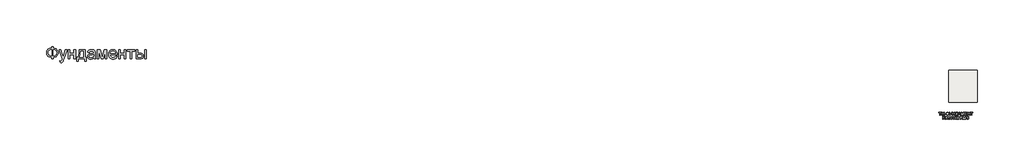
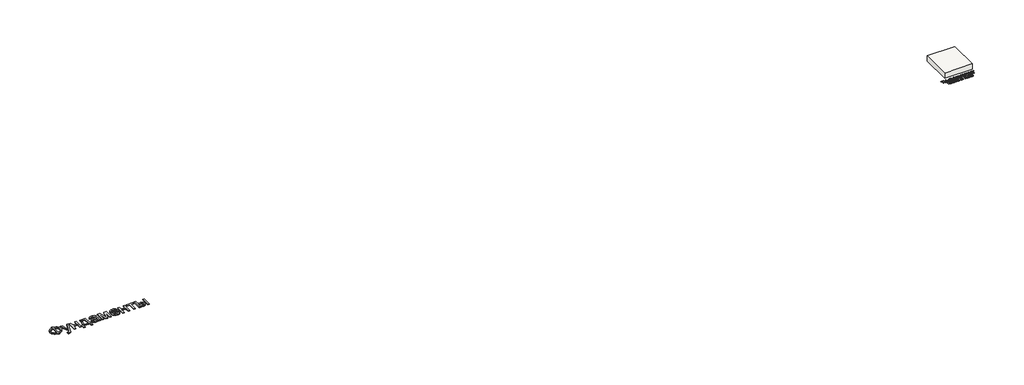
# One storey: 2 proxies, 1 slab.
"""IFC4 building model written with IfcOpenShell, lengths in millimetres."""

from ifc_helpers import new_model, si_unit, frame, origin, origin_with_axes, place, context, project, spatial, polyline, outline, extrude, element, save

model = new_model("IFC4")

# Units and contexts
model_context = context("Model", 3, world=origin())
ifc_project = project(units=[si_unit("LENGTHUNIT", "METRE", prefix="MILLI")], contexts=[model_context])

# Site, building, storey
site = spatial("IfcSite", under=ifc_project)
building = spatial("IfcBuilding", under=site)
storey = spatial("IfcBuildingStorey", under=building, Elevation=0.0)

# Proxies
placement = place(None, origin())
element("IfcBuildingElementProxy", 1, Name="Generic Models", at=placement, inside=storey, context=model_context, shape_type="SweptSolid", body=[
    extrude(outline(polyline([(-1939.8736325, -26885.7211043), (-1939.8736325, -26787.7817103), (-1841.9342386, -26787.7817103), (-1841.9342386, -26885.7211043), (-1772.0723186, -26894.3529698), (-1709.9695132, -26912.2144755), (-1655.6258224, -26939.3056213), (-1609.0412461, -26975.6264073), (-1571.6743546, -27019.0607113), (-1544.9837177, -27067.4924111), (-1528.9693356, -27120.9215067), (-1523.6312083, -27179.3479982), (-1528.8019587, -27236.6028514), (-1544.3142102, -27289.3863505), (-1570.1679625, -27337.6984954), (-1606.3632158, -27381.5392861), (-1628.1416397, -27401.1761824), (-1652.1109076, -27418.4817577), (-1706.6219753, -27446.0989452), (-1769.896419, -27464.3908486), (-1841.9342386, -27473.3574679), (-1841.9342386, -27571.2968619), (-1939.8736325, -27571.2968619), (-1939.8736325, -27473.3574679), (-2005.3060425, -27466.0586398), (-2065.0237272, -27449.518216), (-2119.0266865, -27423.7361966), (-2167.3149204, -27388.7125816), (-2207.0669327, -27345.8939854), (-2222.6837947, -27322.10405), (-2235.4612272, -27296.7270228), (-2245.3992303, -27269.7629041), (-2252.4978039, -27241.2116938), (-2258.1766628, -27179.3479982), (-2252.5157371, -27117.2033486), (-2245.4395801, -27088.5878775), (-2235.5329602, -27061.6103088), (-2222.7958774, -27036.2706426), (-2207.2283318, -27012.5688789), (-2188.8303234, -26990.5050176), (-2167.6018522, -26970.0790588), (-2119.4032845, -26935.3961753), (-2065.382392, -26909.775555), (-2005.5391746, -26893.217198), (-1939.8736325, -26885.7211043)]), holes=[polyline([(-1841.9342386, -26983.6604982), (-1841.9342386, -27375.418074), (-1793.3949393, -27370.2234125), (-1750.3073446, -27359.2303372), (-1712.6714545, -27342.4388481), (-1680.4872689, -27319.8489452), (-1654.7112272, -27291.9627591), (-1636.2997689, -27259.2824206), (-1625.2528939, -27221.8079296), (-1621.5706022, -27179.5392861), (-1625.1871387, -27137.922217), (-1636.036748, -27100.872146), (-1654.1194303, -27068.389073), (-1679.4351855, -27040.4729982), (-1711.2905951, -27017.6977852), (-1748.9922405, -27000.6372975), (-1792.5401216, -26989.2915352), (-1841.9342386, -26983.6604982)]), polyline([(-1939.8736325, -26983.6604982), (-1986.781007, -26988.5861611), (-2028.989873, -26999.3461043), (-2066.5002305, -27015.9403278), (-2099.3120795, -27038.3688316), (-2125.9668498, -27066.2012179), (-2145.0059715, -27099.0070891), (-2156.4294445, -27136.7864452), (-2160.2372689, -27179.5392861), (-2156.4772665, -27221.9035735), (-2145.1972594, -27259.4737085), (-2126.3972476, -27292.2496909), (-2100.077231, -27320.231521), (-2067.5044919, -27342.8692459), (-2029.9463124, -27359.612913), (-1987.4026926, -27370.4625224), (-1939.8736325, -27375.418074), (-1939.8736325, -26983.6604982)])]), origin_with_axes(), (0.0, 0.0, 1.0), 40.0),
    extrude(outline(polyline([(-1401.2069658, -27791.6604982), (-1413.4493901, -27697.355574), (-1386.764731, -27703.8115399), (-1363.7145416, -27705.9635285), (-1337.5559242, -27703.2615872), (-1317.2315871, -27695.1557634), (-1301.4025151, -27682.2199206), (-1288.7296931, -27665.0279225), (-1261.9493901, -27592.9123922), (-1254.2978749, -27569.1926952), (-1462.4190871, -26995.9029225), (-1359.1236325, -26995.9029225), (-1248.7505264, -27315.35368), (-1210.3016628, -27443.1339831), (-1171.8527992, -27330.2741346), (-1058.4190871, -26995.9029225), (-955.888784, -26995.9029225), (-1156.1671931, -27585.0695891), (-1185.9124583, -27663.4019755), (-1208.1974961, -27712.8498922), (-1234.8343333, -27753.6420323), (-1265.0099961, -27781.9048164), (-1300.0634999, -27798.403396), (-1341.3338598, -27803.9029225), (-1369.6922878, -27800.8423164), (-1401.2069658, -27791.6604982)])), origin_with_axes(), (0.0, 0.0, 1.0), 40.0),
    extrude(outline(polyline([(-874.7827234, -26995.9029225), (-776.8433295, -26995.9029225), (-776.8433295, -27216.2665588), (-519.7524204, -27216.2665588), (-519.7524204, -26995.9029225), (-421.8130264, -26995.9029225), (-421.8130264, -27571.2968619), (-519.7524204, -27571.2968619), (-519.7524204, -27314.2059528), (-776.8433295, -27314.2059528), (-776.8433295, -27571.2968619), (-874.7827234, -27571.2968619), (-874.7827234, -26995.9029225)])), origin_with_axes(), (0.0, 0.0, 1.0), 40.0),
    extrude(outline(polyline([(-189.2069658, -26995.9029225), (178.0657614, -26995.9029225), (178.0657614, -27473.3574679), (251.5203069, -27473.3574679), (251.5203069, -27730.448377), (153.5809129, -27730.448377), (153.5809129, -27571.2968619), (-250.4190871, -27571.2968619), (-250.4190871, -27730.448377), (-348.358481, -27730.448377), (-348.358481, -27473.3574679), (-287.1463598, -27473.3574679), (-263.2293972, -27436.3970631), (-242.648017, -27392.9448259), (-225.4022192, -27343.0007563), (-211.4920037, -27286.5648543), (-200.9173707, -27223.6371199), (-193.67832, -27154.2175531), (-189.7748517, -27078.306154), (-189.2069658, -26995.9029225)]), holes=[polyline([(-103.5099961, -27093.8423164), (-111.5440871, -27213.7559054), (-126.4645416, -27316.979627), (-148.2713598, -27403.5134812), (-161.7571552, -27440.521708), (-176.9645416, -27473.3574679), (80.1263675, -27473.3574679), (80.1263675, -27093.8423164), (-103.5099961, -27093.8423164)])]), origin_with_axes(), (0.0, 0.0, 1.0), 40.0),
    extrude(outline(polyline([(728.9748523, -27497.8423164), (682.181055, -27537.964949), (658.2640924, -27552.8256261), (634.0004205, -27564.2192103), (583.3330436, -27578.7092672), (529.079019, -27583.5392861), (485.4713604, -27580.6341014), (447.2317179, -27571.9185475), (414.3600914, -27557.3926242), (386.8564811, -27537.0563316), (365.1393291, -27512.2008628), (349.6270777, -27484.1174111), (340.3197269, -27452.8059764), (337.2172766, -27418.2665588), (341.9038296, -27377.6657066), (355.9634887, -27340.7949679), (377.650752, -27309.2324679), (405.2201175, -27284.5563316), (437.619502, -27265.9057634), (473.796822, -27252.4199679), (558.5373523, -27237.6908013), (658.6765569, -27222.1964831), (728.4009887, -27204.0241346), (728.9748523, -27182.2173164), (727.2891279, -27158.4737085), (722.2319546, -27138.5080361), (713.8033325, -27122.3202994), (702.0032614, -27109.9104982), (681.6071914, -27097.5246081), (656.7636781, -27088.6775437), (627.4727217, -27083.369305), (593.734322, -27081.5998922), (535.391519, -27086.3103562), (512.8195493, -27092.1984362), (494.6472008, -27100.4417482), (479.7147908, -27111.6858888), (466.8626364, -27126.5764547), (456.0907378, -27145.1134457), (447.3990948, -27167.2968619), (349.4597008, -27155.0544376), (366.4604111, -27101.4938316), (378.0990829, -27079.0175058), (391.829966, -27059.4104982), (408.2448571, -27042.2782776), (427.9355531, -27027.2263126), (450.902054, -27014.2546033), (477.1443599, -27003.3631497), (537.3283088, -26988.5861611), (606.359322, -26983.6604982), (672.5688391, -26988.0122975), (725.0534508, -27001.0676952), (764.6261307, -27020.6986138), (792.0998523, -27044.7769755), (810.3200228, -27074.5461516), (822.1320493, -27111.2495134), (825.718697, -27145.1074679), (826.9142463, -27196.9464831), (826.9142463, -27318.7968619), (828.1576175, -27424.9377236), (831.8877311, -27488.94743), (839.2523145, -27531.0068524), (851.3990948, -27571.2968619), (753.4597008, -27571.2968619), (737.7740948, -27537.2476194), (728.9748523, -27497.8423164)]), holes=[polyline([(728.9748523, -27301.9635285), (663.171822, -27318.2708202), (570.9710645, -27331.9957255), (520.1602217, -27339.5037747), (486.7087539, -27347.8726194), (464.7823807, -27358.7282066), (448.546822, -27373.6964831), (438.5042084, -27391.6297217), (435.1566705, -27411.3801952), (436.9798831, -27426.599537), (442.4495209, -27440.5037747), (451.5655839, -27453.0929083), (464.328072, -27464.3669376), (480.6174305, -27473.6563552), (500.3141042, -27480.2916535), (549.9293978, -27485.5998922), (602.5335645, -27479.7417009), (626.5401932, -27472.4189618), (649.016519, -27462.167127), (686.7002311, -27436.2715304), (712.9066705, -27405.450271), (724.5274092, -27373.6964831), (728.4009887, -27329.700271), (728.9748523, -27301.9635285)])]), origin_with_axes(), (0.0, 0.0, 1.0), 40.0),
    extrude(outline(polyline([(961.5809129, -26995.9029225), (1130.1055342, -26995.9029225), (1259.9900039, -27456.5241346), (1400.0127311, -26995.9029225), (1561.4597008, -26995.9029225), (1561.4597008, -27571.2968619), (1463.5203069, -27571.2968619), (1463.5203069, -27107.9976194), (1322.7324281, -27571.2968619), (1194.1869736, -27571.2968619), (1059.5203069, -27085.8082255), (1059.5203069, -27571.2968619), (961.5809129, -27571.2968619), (961.5809129, -26995.9029225)])), origin_with_axes(), (0.0, 0.0, 1.0), 40.0),
    extrude(outline(polyline([(2111.2210645, -27399.9029225), (2207.2475796, -27412.1453467), (2192.5243907, -27450.6061658), (2172.6483845, -27484.4999869), (2147.6195611, -27513.8268098), (2117.4379205, -27538.5866346), (2082.4143055, -27558.2534196), (2042.8595588, -27572.3011232), (1998.7736805, -27580.7297454), (1950.1566705, -27583.5392861), (1889.3869025, -27578.6913339), (1835.2404773, -27564.1474774), (1787.717395, -27539.9077165), (1746.8176554, -27505.9720513), (1713.9280957, -27463.2849656), (1690.4355531, -27412.7909433), (1676.3400275, -27354.4899845), (1671.641519, -27288.3820891), (1676.3878495, -27220.0325389), (1690.626841, -27159.7888126), (1714.3584934, -27107.6509102), (1747.5828069, -27063.6188316), (1788.374947, -27028.6370607), (1834.8100796, -27003.6500816), (1886.8882046, -26988.6578941), (1944.609322, -26983.6604982), (2000.4713604, -26988.6459386), (2050.9892936, -27003.6022596), (2096.1631218, -27028.5294613), (2135.9928448, -27063.4275437), (2168.5058064, -27107.3639783), (2191.7293504, -27159.4062369), (2205.6634769, -27219.5543192), (2210.3081857, -27287.8082255), (2209.734322, -27314.2059528), (1769.5809129, -27314.2059528), (1775.2537941, -27353.2884575), (1786.5338012, -27387.5170323), (1803.4209343, -27416.8916772), (1825.9151932, -27441.4123922), (1852.773207, -27460.7444234), (1882.7516042, -27474.5530172), (1915.850385, -27482.8381734), (1952.0695493, -27485.5998922), (2004.1954963, -27480.4829414), (2048.0960645, -27465.1320891), (2066.9618315, -27453.3798401), (2083.7712539, -27438.590896), (2098.5243315, -27420.7652567), (2111.2210645, -27399.9029225)]), holes=[polyline([(1769.5809129, -27216.2665588), (2112.3687917, -27216.2665588), (2107.3355294, -27188.5537274), (2099.1221061, -27164.5231876), (2087.7285218, -27144.1749395), (2073.1547766, -27127.5089831), (2046.4462065, -27107.4237558), (2016.0553448, -27093.0771649), (1981.9821914, -27084.4692103), (1944.2267463, -27081.5998922), (1909.7889504, -27083.889369), (1878.2085171, -27090.7577994), (1849.4854466, -27102.2051834), (1823.6197387, -27118.231521), (1801.9145422, -27138.0955716), (1785.6730057, -27161.0560948), (1774.8951293, -27187.1130906), (1769.5809129, -27216.2665588)])]), origin_with_axes(), (0.0, 0.0, 1.0), 40.0),
    extrude(outline(polyline([(2308.2475796, -26995.9029225), (2406.1869736, -26995.9029225), (2406.1869736, -27216.2665588), (2663.2778826, -27216.2665588), (2663.2778826, -26995.9029225), (2761.2172766, -26995.9029225), (2761.2172766, -27571.2968619), (2663.2778826, -27571.2968619), (2663.2778826, -27314.2059528), (2406.1869736, -27314.2059528), (2406.1869736, -27571.2968619), (2308.2475796, -27571.2968619), (2308.2475796, -26995.9029225)])), origin_with_axes(), (0.0, 0.0, 1.0), 40.0),
    extrude(outline(polyline([(2859.1566705, -26995.9029225), (3324.3687917, -26995.9029225), (3324.3687917, -27093.8423164), (3140.7324281, -27093.8423164), (3140.7324281, -27571.2968619), (3042.7930342, -27571.2968619), (3042.7930342, -27093.8423164), (2859.1566705, -27093.8423164), (2859.1566705, -26995.9029225)])), origin_with_axes(), (0.0, 0.0, 1.0), 40.0),
    extrude(outline(polyline([(3948.7324281, -26995.9029225), (4046.671822, -26995.9029225), (4046.671822, -27571.2968619), (3948.7324281, -27571.2968619), (3948.7324281, -26995.9029225)])), origin_with_axes(), (0.0, 0.0, 1.0), 40.0),
    extrude(outline(polyline([(3410.0657614, -26995.9029225), (3508.0051554, -26995.9029225), (3508.0051554, -27204.0241346), (3629.0903826, -27204.0241346), (3684.8089551, -27207.0907184), (3733.7487633, -27216.2904698), (3775.9098074, -27231.6233888), (3811.2920872, -27253.0894755), (3839.2858727, -27279.9474892), (3859.2814338, -27311.4561895), (3871.2787704, -27347.6155763), (3875.2778826, -27388.4256497), (3871.924367, -27424.8361019), (3861.8638201, -27458.5087463), (3845.096242, -27489.443583), (3821.6216326, -27517.6406119), (3790.7824399, -27541.1152212), (3751.9211118, -27557.8827994), (3705.0376483, -27567.9433462), (3650.1320493, -27571.2968619), (3410.0657614, -27571.2968619), (3410.0657614, -26995.9029225)]), holes=[polyline([(3508.0051554, -27473.3574679), (3608.6225796, -27473.3574679), (3686.6202122, -27468.2166062), (3715.8274802, -27461.790529), (3738.5070493, -27452.794021), (3755.495804, -27441.0716606), (3767.6306289, -27426.4680266), (3774.9115237, -27408.983119), (3777.3384887, -27388.6169376), (3775.5391871, -27372.1542245), (3770.1412823, -27356.6240399), (3761.1447742, -27342.0263836), (3748.5496629, -27328.3612558), (3729.8094286, -27316.8122501), (3702.3775512, -27308.5629603), (3666.2540308, -27303.6133865), (3621.4388675, -27301.9635285), (3508.0051554, -27301.9635285), (3508.0051554, -27473.3574679)])]), origin_with_axes(), (0.0, 0.0, 1.0), 40.0),
])
element("IfcBuildingElementProxy", 2, Name="Generic Models", at=placement, inside=storey, context=model_context, shape_type="SweptSolid", body=[
    extrude(outline(polyline([(54324.14706, -31143.5539916), (54324.14706, -30971.2462993), (54259.5316754, -30971.2462993), (54259.5316754, -30946.6309147), (54413.3778293, -30946.6309147), (54413.3778293, -30971.2462993), (54348.7624446, -30971.2462993), (54348.7624446, -31143.5539916), (54324.14706, -31143.5539916)])), origin_with_axes(), (0.0, 0.0, 1.0), 20.0),
    extrude(outline(polyline([(54441.070137, -31143.5539916), (54441.070137, -30946.6309147), (54465.6855216, -30946.6309147), (54465.6855216, -31026.6309147), (54570.3009062, -31026.6309147), (54570.3009062, -30946.6309147), (54594.9162908, -30946.6309147), (54594.9162908, -31143.5539916), (54570.3009062, -31143.5539916), (54570.3009062, -31051.2462993), (54465.6855216, -31051.2462993), (54465.6855216, -31143.5539916), (54441.070137, -31143.5539916)])), origin_with_axes(), (0.0, 0.0, 1.0), 20.0),
    extrude(outline(polyline([(54622.6085985, -31085.0924532), (54622.6085985, -31060.4770686), (54699.5316754, -31060.4770686), (54699.5316754, -31085.0924532), (54622.6085985, -31085.0924532)])), origin_with_axes(), (0.0, 0.0, 1.0), 20.0),
    extrude(outline(polyline([(54801.070137, -30971.2462993), (54801.070137, -30946.6309147), (54825.6855216, -30946.6309147), (54825.6855216, -30971.2462993), (54858.8525889, -30977.9049532), (54884.2191754, -30993.8424532), (54900.318935, -31016.9313955), (54905.6855216, -31045.0443763), (54900.4872043, -31072.7006263), (54884.8922523, -31095.8616839), (54859.693935, -31112.0876455), (54825.6855216, -31118.938607), (54825.6855216, -31143.5539916), (54801.070137, -31143.5539916), (54801.070137, -31118.938607), (54769.61581, -31112.9470205), (54743.9066754, -31097.6645686), (54733.9156898, -31086.9028498), (54726.7792716, -31074.5455782), (54721.070137, -31045.0443763), (54726.7612427, -31015.4530301), (54733.8751249, -31003.1273089), (54743.83456, -30992.4482224), (54769.5256658, -30977.2919724), (54801.070137, -30971.2462993)]), holes=[polyline([(54801.070137, -30995.8616839), (54778.6723004, -30999.8039916), (54760.9980216, -31009.6116839), (54749.5136466, -31024.8520686), (54745.6855216, -31045.0924532), (54749.4655696, -31065.1825974), (54760.8057139, -31080.4530301), (54778.4319158, -31090.3508666), (54801.070137, -31094.3232224), (54801.070137, -30995.8616839)]), polyline([(54825.6855216, -30995.8616839), (54825.6855216, -31094.3232224), (54848.7143677, -31090.2547128), (54866.2624446, -31080.3568763), (54877.3682139, -31065.1345205), (54881.070137, -31045.0924532), (54877.4343196, -31025.3208186), (54866.5268677, -31010.1405301), (54849.0448966, -31000.1285109), (54825.6855216, -30995.8616839)])]), origin_with_axes(), (0.0, 0.0, 1.0), 20.0),
    extrude(outline(polyline([(54925.6855216, -30946.6309147), (54952.945137, -30946.6309147), (55011.8393677, -31063.2655301), (55064.820137, -30946.6309147), (55091.8393677, -30946.6309147), (55017.0797523, -31100.0443763), (54996.7432139, -31137.7366839), (54987.0917716, -31144.407357), (54974.0028293, -31146.6309147), (54951.8393677, -31143.5539916), (54951.8393677, -31122.0155301), (54971.2143677, -31122.0155301), (54985.5893677, -31116.5347609), (54998.9066754, -31091.5828378), (54925.6855216, -30946.6309147)])), origin_with_axes(), (0.0, 0.0, 1.0), 20.0),
    extrude(outline(polyline([(55114.9162908, -31143.5539916), (55114.9162908, -30946.6309147), (55139.5316754, -30946.6309147), (55139.5316754, -31026.6309147), (55244.14706, -31026.6309147), (55244.14706, -30946.6309147), (55268.7624446, -30946.6309147), (55268.7624446, -31143.5539916), (55244.14706, -31143.5539916), (55244.14706, -31051.2462993), (55139.5316754, -31051.2462993), (55139.5316754, -31143.5539916), (55114.9162908, -31143.5539916)])), origin_with_axes(), (0.0, 0.0, 1.0), 20.0),
    extrude(outline(polyline([(55330.3009062, -30946.6309147), (55447.2239831, -30946.6309147), (55447.2239831, -31118.938607), (55465.6855216, -31118.938607), (55465.6855216, -31189.7078378), (55441.070137, -31189.7078378), (55441.070137, -31143.5539916), (55314.9162908, -31143.5539916), (55314.9162908, -31189.7078378), (55290.3009062, -31189.7078378), (55290.3009062, -31118.938607), (55305.6855216, -31118.938607), (55316.4547523, -31096.6098811), (55324.14706, -31065.2006263), (55328.7624446, -31024.7108426), (55330.3009062, -30975.1405301), (55330.3009062, -30946.6309147)]), holes=[polyline([(55422.6085985, -30971.2462993), (55354.9162908, -30971.2462993), (55354.9162908, -30981.1501455), (55349.9162908, -31048.6020686), (55342.5124446, -31087.5804339), (55330.3009062, -31118.938607), (55422.6085985, -31118.938607), (55422.6085985, -30971.2462993)])]), origin_with_axes(), (0.0, 0.0, 1.0), 20.0),
    extrude(outline(polyline([(55473.52206, -31143.5539916), (55552.1278293, -30946.6309147), (55573.0893677, -30946.6309147), (55651.695137, -31143.5539916), (55625.6855216, -31143.5539916), (55603.1374446, -31082.0155301), (55522.0316754, -31082.0155301), (55499.5316754, -31143.5539916), (55473.52206, -31143.5539916)]), holes=[polyline([(55531.070137, -31057.4001455), (55594.14706, -31057.4001455), (55576.4066754, -31008.9866839), (55562.6085985, -30971.2462993), (55550.3489831, -31004.7559147), (55531.070137, -31057.4001455)])]), origin_with_axes(), (0.0, 0.0, 1.0), 20.0),
    extrude(outline(polyline([(55677.9932139, -31143.5539916), (55677.9932139, -30946.6309147), (55720.3489831, -30946.6309147), (55760.6374446, -31085.4289916), (55768.7624446, -31114.4193763), (55777.5605216, -31083.0251455), (55817.1759062, -30946.6309147), (55859.5316754, -30946.6309147), (55859.5316754, -31143.5539916), (55834.9162908, -31143.5539916), (55834.9162908, -30971.2462993), (55785.445137, -31143.5539916), (55752.0797523, -31143.5539916), (55702.6085985, -30971.2462993), (55702.6085985, -31143.5539916), (55677.9932139, -31143.5539916)])), origin_with_axes(), (0.0, 0.0, 1.0), 20.0),
    extrude(outline(polyline([(55902.6085985, -31143.5539916), (55902.6085985, -30946.6309147), (56044.14706, -30946.6309147), (56044.14706, -30971.2462993), (55927.2239831, -30971.2462993), (55927.2239831, -31029.7078378), (56037.9932139, -31029.7078378), (56037.9932139, -31054.3232224), (55927.2239831, -31054.3232224), (55927.2239831, -31118.938607), (56047.2239831, -31118.938607), (56047.2239831, -31143.5539916), (55902.6085985, -31143.5539916)])), origin_with_axes(), (0.0, 0.0, 1.0), 20.0),
    extrude(outline(polyline([(56084.14706, -31143.5539916), (56084.14706, -30946.6309147), (56108.7624446, -30946.6309147), (56108.7624446, -31026.6309147), (56213.3778293, -31026.6309147), (56213.3778293, -30946.6309147), (56237.9932139, -30946.6309147), (56237.9932139, -31143.5539916), (56213.3778293, -31143.5539916), (56213.3778293, -31051.2462993), (56108.7624446, -31051.2462993), (56108.7624446, -31143.5539916), (56084.14706, -31143.5539916)])), origin_with_axes(), (0.0, 0.0, 1.0), 20.0),
    extrude(outline(polyline([(56330.3009062, -31143.5539916), (56330.3009062, -30971.2462993), (56265.6855216, -30971.2462993), (56265.6855216, -30946.6309147), (56419.5316754, -30946.6309147), (56419.5316754, -30971.2462993), (56354.9162908, -30971.2462993), (56354.9162908, -31143.5539916), (56330.3009062, -31143.5539916)])), origin_with_axes(), (0.0, 0.0, 1.0), 20.0),
    extrude(outline(polyline([(54521.070137, -31189.7078378), (54545.6855216, -31189.7078378), (54545.6855216, -31275.8616839), (54562.350185, -31274.2330782), (54573.20956, -31269.3472609), (54581.9896081, -31257.8508666), (54592.4162908, -31236.3905301), (54605.9980216, -31208.8664916), (54621.382637, -31195.2366839), (54643.3778293, -31189.7078378), (54659.5316754, -31189.9962993), (54659.5316754, -31214.6116839), (54654.0989831, -31214.4674532), (54648.6662908, -31214.3232224), (54637.3922523, -31215.8015878), (54629.4355216, -31220.2366839), (54614.820137, -31245.5732224), (54597.3922523, -31276.438607), (54580.39706, -31286.6309147), (54599.3994639, -31297.7607224), (54618.1374446, -31320.9578378), (54659.5316754, -31386.6309147), (54630.9739831, -31386.6309147), (54595.9739831, -31331.1501455), (54571.33456, -31302.1837993), (54559.9583581, -31296.2883666), (54545.6855216, -31294.3232224), (54545.6855216, -31386.6309147), (54521.070137, -31386.6309147), (54521.070137, -31189.7078378)])), origin_with_axes(), (0.0, 0.0, 1.0), 20.0),
    extrude(outline(polyline([(54690.3009062, -31242.0155301), (54801.070137, -31242.0155301), (54801.070137, -31386.4866839), (54776.4547523, -31386.4866839), (54776.4547523, -31266.6309147), (54714.9162908, -31266.6309147), (54714.9162908, -31335.6212993), (54713.257637, -31367.4482224), (54704.14706, -31380.8857224), (54695.0364831, -31385.1946166), (54682.6085985, -31386.6309147), (54662.6085985, -31385.3809147), (54662.6085985, -31362.0155301), (54673.6182139, -31362.0155301), (54684.7480216, -31360.501107), (54689.195137, -31355.6934147), (54690.3009062, -31334.2270686), (54690.3009062, -31242.0155301)])), origin_with_axes(), (0.0, 0.0, 1.0), 20.0),
    extrude(outline(polyline([(54930.3009062, -31368.1693763), (54906.4307139, -31384.8520686), (54880.0605216, -31389.7078378), (54859.4896081, -31386.7871647), (54844.3153293, -31378.0251455), (54834.9583581, -31364.719857), (54831.8393677, -31348.1693763), (54836.5509062, -31328.6982224), (54848.9307139, -31314.563607), (54866.1662908, -31306.4866839), (54887.4643677, -31302.7847609), (54930.1566754, -31294.3232224), (54930.3009062, -31288.8424532), (54928.6061946, -31277.8568763), (54923.52206, -31270.6693763), (54912.1518677, -31265.3328378), (54896.3105216, -31263.5539916), (54871.4066754, -31268.2895686), (54864.4235023, -31274.8580782), (54859.5316754, -31285.0924532), (54834.9162908, -31282.0155301), (54845.5653293, -31257.9770686), (54854.6398485, -31249.8881263), (54867.007637, -31243.8905301), (54899.4835985, -31238.938607), (54929.3153293, -31243.313607), (54946.1662908, -31254.2991839), (54953.7143677, -31271.0059147), (54954.9162908, -31292.5443763), (54954.9162908, -31323.1693763), (54956.1662908, -31365.9337993), (54961.070137, -31386.6309147), (54936.4547523, -31386.6309147), (54930.3009062, -31368.1693763)]), holes=[polyline([(54930.3009062, -31318.938607), (54890.5893677, -31326.4866839), (54869.4114831, -31330.4770686), (54859.820137, -31336.9674532), (54856.4547523, -31346.438607), (54858.287685, -31353.7583186), (54863.7864831, -31359.7559147), (54872.8309543, -31363.7583186), (54885.3009062, -31365.0924532), (54898.52206, -31363.6200974), (54910.2047523, -31359.2030301), (54926.2624446, -31344.9482224), (54930.1566754, -31325.9097609), (54930.3009062, -31318.938607)])]), origin_with_axes(), (0.0, 0.0, 1.0), 20.0),
    extrude(outline(polyline([(55081.070137, -31334.3232224), (55105.6855216, -31337.4001455), (55098.8225408, -31359.2931743), (55085.9259062, -31375.8376455), (55068.20956, -31386.2402897), (55046.8874446, -31389.7078378), (55020.7035504, -31384.8700974), (55000.2287908, -31370.3568763), (54987.0136466, -31346.8051936), (54982.6085985, -31314.8520686), (54984.4896081, -31292.9470205), (54990.132637, -31273.9626455), (54999.6278293, -31258.6321166), (55013.0653293, -31247.688607), (55029.1410504, -31241.126107), (55046.5509062, -31238.938607), (55067.350185, -31241.9434147), (55083.9787908, -31250.9578378), (55095.9078773, -31265.501107), (55102.6085985, -31285.0924532), (55077.9932139, -31288.1693763), (55073.5280696, -31277.4301936), (55066.5749446, -31269.7318763), (55057.5184543, -31265.0984628), (55046.7432139, -31263.5539916), (55030.835762, -31266.594857), (55018.20956, -31275.7174532), (55009.9703773, -31291.4145686), (55007.2239831, -31314.1789916), (55009.9102812, -31337.2499051), (55017.9691754, -31353.001107), (55030.367012, -31362.0696166), (55046.070137, -31365.0924532), (55058.8165312, -31363.2054339), (55069.2672523, -31357.5443763), (55076.8694158, -31347.9650493), (55081.070137, -31334.3232224)])), origin_with_axes(), (0.0, 0.0, 1.0), 20.0),
    extrude(outline(polyline([(55219.5316754, -31334.3232224), (55244.14706, -31337.4001455), (55237.2840793, -31359.2931743), (55224.3874446, -31375.8376455), (55206.6710985, -31386.2402897), (55185.3489831, -31389.7078378), (55159.1650889, -31384.8700974), (55138.6903293, -31370.3568763), (55125.475185, -31346.8051936), (55121.070137, -31314.8520686), (55122.9511466, -31292.9470205), (55128.5941754, -31273.9626455), (55138.0893677, -31258.6321166), (55151.5268677, -31247.688607), (55167.6025889, -31241.126107), (55185.0124446, -31238.938607), (55205.8117235, -31241.9434147), (55222.4403293, -31250.9578378), (55234.3694158, -31265.501107), (55241.070137, -31285.0924532), (55216.4547523, -31288.1693763), (55211.9896081, -31277.4301936), (55205.0364831, -31269.7318763), (55195.9799927, -31265.0984628), (55185.2047523, -31263.5539916), (55169.2973004, -31266.594857), (55156.6710985, -31275.7174532), (55148.4319158, -31291.4145686), (55145.6855216, -31314.1789916), (55148.3718196, -31337.2499051), (55156.4307139, -31353.001107), (55168.8285504, -31362.0696166), (55184.5316754, -31365.0924532), (55197.2780696, -31363.2054339), (55207.7287908, -31357.5443763), (55215.3309543, -31347.9650493), (55219.5316754, -31334.3232224)])), origin_with_axes(), (0.0, 0.0, 1.0), 20.0),
    extrude(outline(polyline([(55265.6855216, -31242.0155301), (55290.3009062, -31242.0155301), (55290.3009062, -31352.3039916), (55350.7816754, -31242.0155301), (55382.6085985, -31242.0155301), (55382.6085985, -31386.6309147), (55357.9932139, -31386.6309147), (55357.9932139, -31277.0155301), (55297.89706, -31386.6309147), (55265.6855216, -31386.6309147), (55265.6855216, -31242.0155301)])), origin_with_axes(), (0.0, 0.0, 1.0), 20.0),
    extrude(outline(polyline([(55419.5316754, -31242.0155301), (55444.14706, -31242.0155301), (55444.14706, -31303.5539916), (55460.6374446, -31299.1309147), (55474.14706, -31273.3616839), (55485.3730216, -31251.126107), (55495.2768677, -31243.8905301), (55513.2816754, -31242.0155301), (55517.9932139, -31242.0155301), (55517.9932139, -31266.7751455), (55511.3585985, -31266.6309147), (55499.3393677, -31269.2270686), (55490.8778293, -31285.4289916), (55480.9499446, -31302.9530301), (55467.0316754, -31311.5347609), (55482.5605216, -31321.1140878), (55497.8009062, -31341.2943763), (55524.14706, -31386.6309147), (55496.1662908, -31386.6309147), (55470.3489831, -31342.2559147), (55457.3682139, -31323.4818763), (55444.14706, -31318.938607), (55444.14706, -31386.6309147), (55419.5316754, -31386.6309147), (55419.5316754, -31242.0155301)])), origin_with_axes(), (0.0, 0.0, 1.0), 20.0),
    extrude(outline(polyline([(55619.5316754, -31189.7078378), (55644.14706, -31189.7078378), (55644.14706, -31275.8616839), (55660.8117235, -31274.2330782), (55671.6710985, -31269.3472609), (55680.4511466, -31257.8508666), (55690.8778293, -31236.3905301), (55704.45956, -31208.8664916), (55719.8441754, -31195.2366839), (55741.8393677, -31189.7078378), (55757.9932139, -31189.9962993), (55757.9932139, -31214.6116839), (55752.5605216, -31214.4674532), (55747.1278293, -31214.3232224), (55735.8537908, -31215.8015878), (55727.89706, -31220.2366839), (55713.2816754, -31245.5732224), (55695.8537908, -31276.438607), (55678.8585985, -31286.6309147), (55697.8610023, -31297.7607224), (55716.5989831, -31320.9578378), (55757.9932139, -31386.6309147), (55729.4355216, -31386.6309147), (55694.4355216, -31331.1501455), (55669.7960985, -31302.1837993), (55658.4198966, -31296.2883666), (55644.14706, -31294.3232224), (55644.14706, -31386.6309147), (55619.5316754, -31386.6309147), (55619.5316754, -31189.7078378)])), origin_with_axes(), (0.0, 0.0, 1.0), 20.0),
    extrude(outline(polyline([(55779.5316754, -31386.6309147), (55779.5316754, -31189.7078378), (55821.8874446, -31189.7078378), (55862.1759062, -31328.5059147), (55870.3009062, -31357.4962993), (55879.0989831, -31326.1020686), (55918.7143677, -31189.7078378), (55961.070137, -31189.7078378), (55961.070137, -31386.6309147), (55936.4547523, -31386.6309147), (55936.4547523, -31214.3232224), (55886.9835985, -31386.6309147), (55853.6182139, -31386.6309147), (55804.14706, -31214.3232224), (55804.14706, -31386.6309147), (55779.5316754, -31386.6309147)])), origin_with_axes(), (0.0, 0.0, 1.0), 20.0),
    extrude(outline(polyline([(56142.6085985, -31316.6309147), (56167.2239831, -31322.9770686), (56155.86581, -31351.6609628), (56138.0412908, -31372.6164916), (56114.6278293, -31385.4350013), (56086.5028293, -31389.7078378), (56057.9511466, -31386.4746647), (56035.2768677, -31376.7751455), (56017.89706, -31360.9458186), (56005.2287908, -31339.3232224), (55997.4944158, -31313.9025493), (55994.9162908, -31286.6789916), (55997.8309543, -31257.9650493), (56006.5749446, -31233.1693763), (56020.6915312, -31213.079232), (56039.7239831, -31198.4818763), (56062.2960985, -31189.5936551), (56087.0316754, -31186.6309147), (56114.0208581, -31190.4650493), (56136.33456, -31201.9674532), (56153.2756658, -31220.4289916), (56164.14706, -31245.1405301), (56139.5316754, -31251.0059147), (56130.9980216, -31233.0551936), (56119.3393677, -31220.7414916), (56104.4114831, -31213.6200974), (56086.070137, -31211.2462993), (56064.92831, -31213.8785109), (56047.5605216, -31221.7751455), (56034.381435, -31234.1068763), (56025.8057139, -31250.0443763), (56021.100185, -31268.0612032), (56019.5316754, -31286.6309147), (56021.3886466, -31309.3712993), (56026.95956, -31329.0347609), (56036.4547523, -31344.8700974), (56050.08456, -31356.126107), (56066.4247043, -31362.8508666), (56084.0509062, -31365.0924532), (56104.5977812, -31362.0395686), (56121.7191754, -31352.8809147), (56134.6458581, -31337.7126455), (56142.6085985, -31316.6309147)])), origin_with_axes(), (0.0, 0.0, 1.0), 20.0),
])

# Slab
element("IfcSlab", 3, at=placement, inside=storey, context=model_context, shape_type="SweptSolid", body=[
    extrude(outline(polyline([(54881.3955952, -28302.6148653), (56706.3955952, -28302.6148653), (56706.3955952, -30302.6148653), (54881.3955952, -30302.6148653), (54881.3955952, -28302.6148653)])), frame((0.0, 0.0, -368.0), z_axis=(0.0, 0.0, 1.0), x_axis=(1.0, 0.0, 0.0)), (0.0, 0.0, 1.0), 368.0),
])

save(model, "model.ifc")
